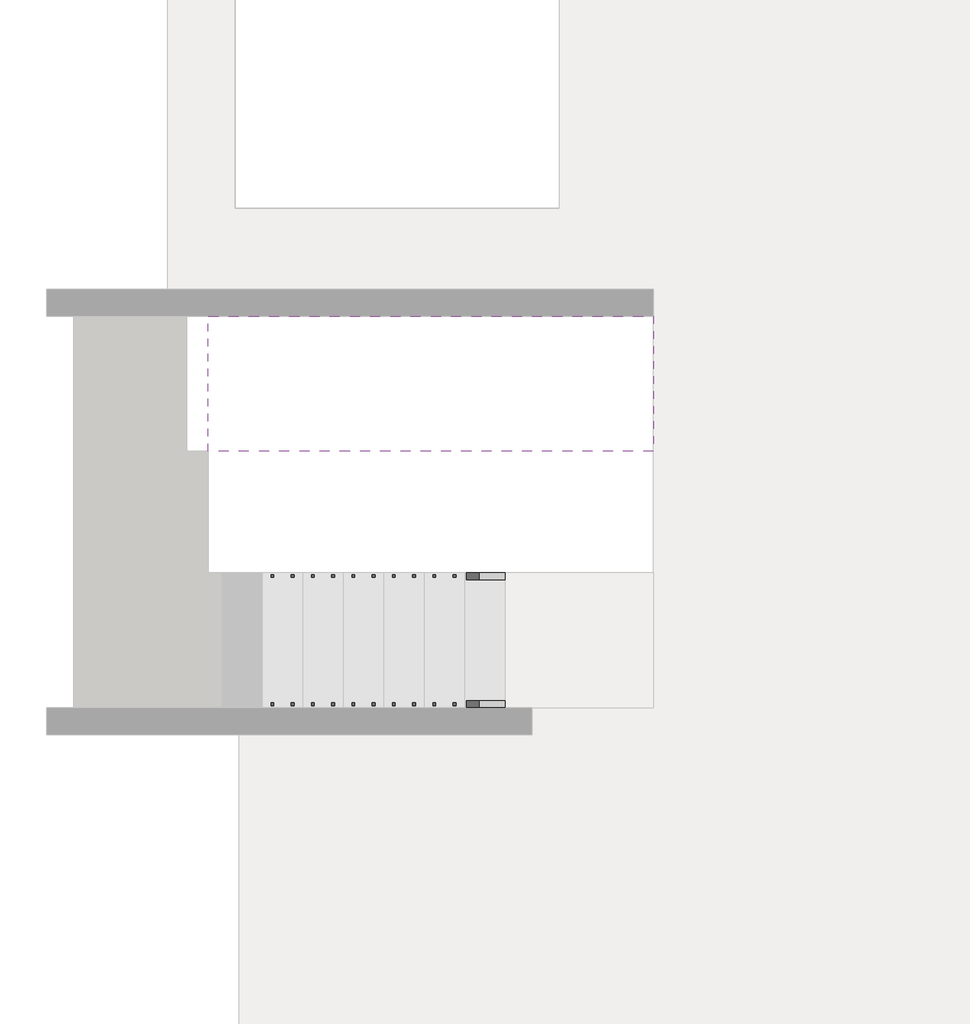
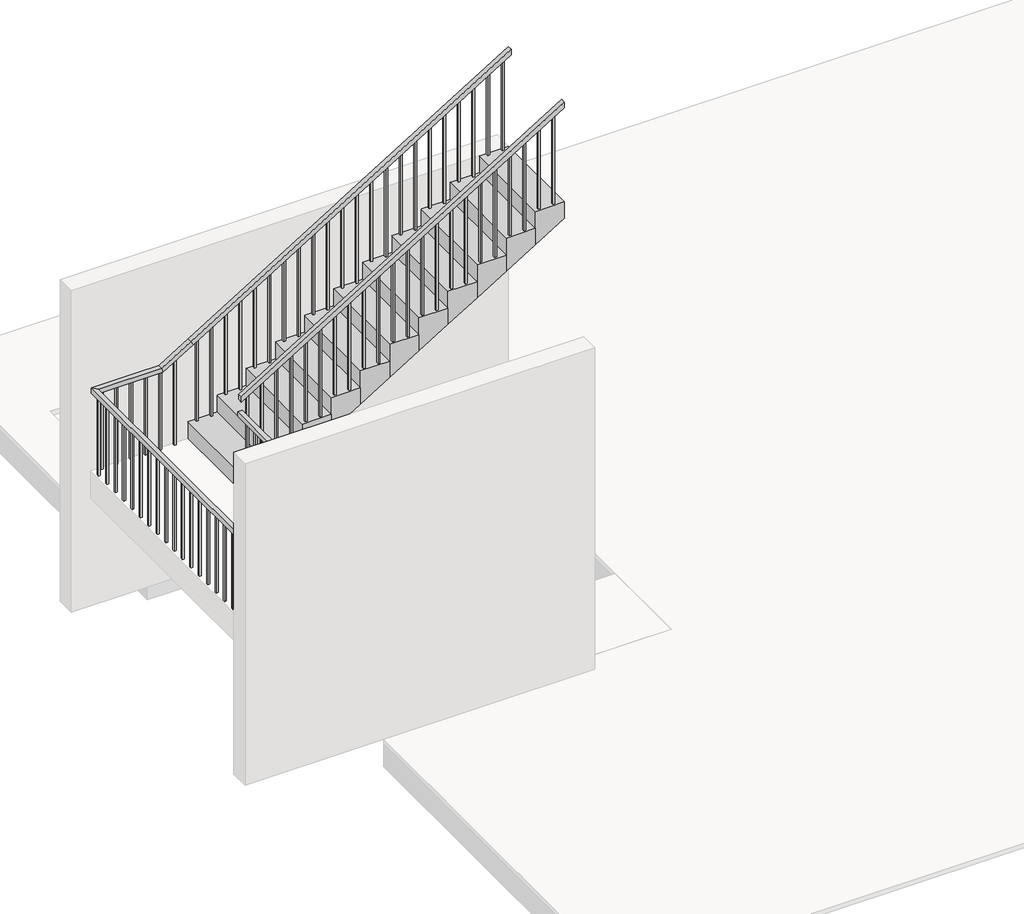
# One storey, part 5 of 5: 2 railings, 1 stair flight.
"""IFC4 building model written with IfcOpenShell, lengths in millimetres."""

from ifc_helpers import new_model, si_unit, frame, origin, place, context, project, spatial, polyline, outline, extrude, faceted_brep, element, save

model = new_model("IFC4")

# Units and contexts
model_context = context("Model", 3, world=origin())
ifc_project = project(units=[si_unit("LENGTHUNIT", "METRE", prefix="MILLI")], contexts=[model_context])

# Site, building, storey
site = spatial("IfcSite", under=ifc_project)
building = spatial("IfcBuilding", under=site)
storey = spatial("IfcBuildingStorey", under=building, Elevation=7000.0)

# Railings
placement = place(None, origin())
element("IfcRailing", 1, ObjectType="900mm", at=placement, inside=storey, context=model_context, shape_type="SolidModel", body=[
    faceted_brep([(2250.0, -5847.2939341, 8084.2105263), (2250.0, -5847.2939341, 8025.5368719), (2250.0, -5797.2939341, 8025.5368719), (2250.0, -5797.2939341, 8084.2105263), (150.0, -5847.2939341, 9373.6842105), (135.8743343, -5847.2939341, 9323.6842105), (135.8743343, -5797.2939341, 9323.6842105), (150.0, -5797.2939341, 9373.6842105), (-0.4, -5847.2939341, 9373.6842105), (-0.4, -5847.2939341, 9323.6842105), (49.6, -5797.2939341, 9323.6842105), (49.6, -5797.2939341, 9373.6842105), (-0.4, -4871.493934, 9373.6842105), (49.6, -4871.493934, 9373.6842105), (49.6, -4871.493934, 9323.6842105), (-0.4, -4871.493934, 9323.6842105)], [[[0, 1, 2, 3]], [[1, 0, 4, 5]], [[2, 1, 5, 6]], [[3, 2, 6, 7]], [[0, 3, 7, 4]], [[5, 4, 8, 9]], [[6, 5, 9, 10]], [[7, 6, 10, 11]], [[4, 7, 11, 8]], [[12, 13, 14, 15]], [[9, 8, 12, 15]], [[10, 9, 15, 14]], [[11, 10, 14, 13]], [[8, 11, 13, 12]]]),
    faceted_brep([(24.6, -4846.493934, 9542.2982456), (24.6, -4846.493934, 9483.6245912), (24.6, -4896.493934, 9483.6245912), (24.6, -4896.493934, 9542.2982456), (3350.0, -4846.493934, 11584.2105263), (3350.0, -4896.493934, 11584.2105263), (3350.0, -4896.493934, 11525.5368719), (3350.0, -4846.493934, 11525.5368719)], [[[0, 1, 2, 3]], [[4, 5, 6, 7]], [[1, 0, 4, 7]], [[2, 1, 7, 6]], [[3, 2, 6, 5]], [[0, 3, 5, 4]]]),
    extrude(outline(polyline([(11457.7473982, 3239.6), (10500.0, 3239.6), (10500.0, 3259.6), (11470.0281, 3259.6), (11457.7473982, 3239.6)])), frame((0.0, -4881.493934, 0.0), z_axis=(0.0, 1.0, 0.0), x_axis=(0.0, 0.0, 1.0)), (0.0, 0.0, 1.0), 20.0),
    extrude(outline(polyline([(11365.6421351, 3089.6), (10500.0, 3089.6), (10500.0, 3109.6), (11377.9228368, 3109.6), (11365.6421351, 3089.6)])), frame((0.0, -4881.493934, 0.0), z_axis=(0.0, 1.0, 0.0), x_axis=(0.0, 0.0, 1.0)), (0.0, 0.0, 1.0), 20.0),
    extrude(outline(polyline([(11273.5368719, 2939.6), (10315.7894737, 2939.6), (10315.7894737, 2959.6), (11285.8175737, 2959.6), (11273.5368719, 2939.6)])), frame((0.0, -4881.493934, 0.0), z_axis=(0.0, 1.0, 0.0), x_axis=(0.0, 0.0, 1.0)), (0.0, 0.0, 1.0), 20.0),
    extrude(outline(polyline([(11181.4316087, 2789.6), (10315.7894737, 2789.6), (10315.7894737, 2809.6), (11193.7123105, 2809.6), (11181.4316087, 2789.6)])), frame((0.0, -4881.493934, 0.0), z_axis=(0.0, 1.0, 0.0), x_axis=(0.0, 0.0, 1.0)), (0.0, 0.0, 1.0), 20.0),
    extrude(outline(polyline([(11089.3263456, 2639.6), (10131.5789474, 2639.6), (10131.5789474, 2659.6), (11101.6070473, 2659.6), (11089.3263456, 2639.6)])), frame((0.0, -4881.493934, 0.0), z_axis=(0.0, 1.0, 0.0), x_axis=(0.0, 0.0, 1.0)), (0.0, 0.0, 1.0), 20.0),
    extrude(outline(polyline([(10997.2210824, 2489.6), (10131.5789474, 2489.6), (10131.5789474, 2509.6), (11009.5017842, 2509.6), (10997.2210824, 2489.6)])), frame((0.0, -4881.493934, 0.0), z_axis=(0.0, 1.0, 0.0), x_axis=(0.0, 0.0, 1.0)), (0.0, 0.0, 1.0), 20.0),
    extrude(outline(polyline([(10905.1158193, 2339.6), (9947.3684211, 2339.6), (9947.3684211, 2359.6), (10917.396521, 2359.6), (10905.1158193, 2339.6)])), frame((0.0, -4881.493934, 0.0), z_axis=(0.0, 1.0, 0.0), x_axis=(0.0, 0.0, 1.0)), (0.0, 0.0, 1.0), 20.0),
    extrude(outline(polyline([(10813.0105561, 2189.6), (9947.3684211, 2189.6), (9947.3684211, 2209.6), (10825.2912579, 2209.6), (10813.0105561, 2189.6)])), frame((0.0, -4881.493934, 0.0), z_axis=(0.0, 1.0, 0.0), x_axis=(0.0, 0.0, 1.0)), (0.0, 0.0, 1.0), 20.0),
    extrude(outline(polyline([(10720.905293, 2039.6), (9763.1578947, 2039.6), (9763.1578947, 2059.6), (10733.1859947, 2059.6), (10720.905293, 2039.6)])), frame((0.0, -4881.493934, 0.0), z_axis=(0.0, 1.0, 0.0), x_axis=(0.0, 0.0, 1.0)), (0.0, 0.0, 1.0), 20.0),
    extrude(outline(polyline([(10628.8000298, 1889.6), (9763.1578947, 1889.6), (9763.1578947, 1909.6), (10641.0807316, 1909.6), (10628.8000298, 1889.6)])), frame((0.0, -4881.493934, 0.0), z_axis=(0.0, 1.0, 0.0), x_axis=(0.0, 0.0, 1.0)), (0.0, 0.0, 1.0), 20.0),
    extrude(outline(polyline([(10536.6947666, 1739.6), (9578.9473684, 1739.6), (9578.9473684, 1759.6), (10548.9754684, 1759.6), (10536.6947666, 1739.6)])), frame((0.0, -4881.493934, 0.0), z_axis=(0.0, 1.0, 0.0), x_axis=(0.0, 0.0, 1.0)), (0.0, 0.0, 1.0), 20.0),
    extrude(outline(polyline([(10444.5895035, 1589.6), (9578.9473684, 1589.6), (9578.9473684, 1609.6), (10456.8702052, 1609.6), (10444.5895035, 1589.6)])), frame((0.0, -4881.493934, 0.0), z_axis=(0.0, 1.0, 0.0), x_axis=(0.0, 0.0, 1.0)), (0.0, 0.0, 1.0), 20.0),
    extrude(outline(polyline([(10352.4842403, 1439.6), (9394.7368421, 1439.6), (9394.7368421, 1459.6), (10364.7649421, 1459.6), (10352.4842403, 1439.6)])), frame((0.0, -4881.493934, 0.0), z_axis=(0.0, 1.0, 0.0), x_axis=(0.0, 0.0, 1.0)), (0.0, 0.0, 1.0), 20.0),
    extrude(outline(polyline([(10260.3789772, 1289.6), (9394.7368421, 1289.6), (9394.7368421, 1309.6), (10272.6596789, 1309.6), (10260.3789772, 1289.6)])), frame((0.0, -4881.493934, 0.0), z_axis=(0.0, 1.0, 0.0), x_axis=(0.0, 0.0, 1.0)), (0.0, 0.0, 1.0), 20.0),
    extrude(outline(polyline([(10168.273714, 1139.6), (9210.5263158, 1139.6), (9210.5263158, 1159.6), (10180.5544158, 1159.6), (10168.273714, 1139.6)])), frame((0.0, -4881.493934, 0.0), z_axis=(0.0, 1.0, 0.0), x_axis=(0.0, 0.0, 1.0)), (0.0, 0.0, 1.0), 20.0),
    extrude(outline(polyline([(10076.1684508, 989.6), (9210.5263158, 989.6), (9210.5263158, 1009.6), (10088.4491526, 1009.6), (10076.1684508, 989.6)])), frame((0.0, -4881.493934, 0.0), z_axis=(0.0, 1.0, 0.0), x_axis=(0.0, 0.0, 1.0)), (0.0, 0.0, 1.0), 20.0),
    extrude(outline(polyline([(9984.0631877, 839.6), (9026.3157895, 839.6), (9026.3157895, 859.6), (9996.3438894, 859.6), (9984.0631877, 839.6)])), frame((0.0, -4881.493934, 0.0), z_axis=(0.0, 1.0, 0.0), x_axis=(0.0, 0.0, 1.0)), (0.0, 0.0, 1.0), 20.0),
    extrude(outline(polyline([(9891.9579245, 689.6), (9026.3157895, 689.6), (9026.3157895, 709.6), (9904.2386263, 709.6), (9891.9579245, 689.6)])), frame((0.0, -4881.493934, 0.0), z_axis=(0.0, 1.0, 0.0), x_axis=(0.0, 0.0, 1.0)), (0.0, 0.0, 1.0), 20.0),
    extrude(outline(polyline([(9799.8526614, 539.6), (8842.1052632, 539.6), (8842.1052632, 559.6), (9812.1333631, 559.6), (9799.8526614, 539.6)])), frame((0.0, -4881.493934, 0.0), z_axis=(0.0, 1.0, 0.0), x_axis=(0.0, 0.0, 1.0)), (0.0, 0.0, 1.0), 20.0),
    extrude(outline(polyline([(9707.7473982, 389.6), (8842.1052632, 389.6), (8842.1052632, 409.6), (9720.0281, 409.6), (9707.7473982, 389.6)])), frame((0.0, -4881.493934, 0.0), z_axis=(0.0, 1.0, 0.0), x_axis=(0.0, 0.0, 1.0)), (0.0, 0.0, 1.0), 20.0),
    extrude(outline(polyline([(9615.6421351, 239.6), (8657.8947368, 239.6), (8657.8947368, 259.6), (9627.9228368, 259.6), (9615.6421351, 239.6)])), frame((0.0, -4881.493934, 0.0), z_axis=(0.0, 1.0, 0.0), x_axis=(0.0, 0.0, 1.0)), (0.0, 0.0, 1.0), 20.0),
    extrude(outline(polyline([(9523.5368719, 89.6), (8657.8947368, 89.6), (8657.8947368, 109.6), (9535.8175737, 109.6), (9523.5368719, 89.6)])), frame((0.0, -4881.493934, 0.0), z_axis=(0.0, 1.0, 0.0), x_axis=(0.0, 0.0, 1.0)), (0.0, 0.0, 1.0), 20.0),
    extrude(outline(polyline([(34.6, -5007.2939341), (14.6, -5007.2939341), (14.6, -4987.2939341), (34.6, -4987.2939341), (34.6, -5007.2939341)])), frame((0.0, 0.0, 8473.6842105), z_axis=(0.0, 0.0, 1.0), x_axis=(1.0, 0.0, 0.0)), (0.0, 0.0, 1.0), 850.0),
    extrude(outline(polyline([(34.6, -5157.2939341), (14.6, -5157.2939341), (14.6, -5137.2939341), (34.6, -5137.2939341), (34.6, -5157.2939341)])), frame((0.0, 0.0, 8473.6842105), z_axis=(0.0, 0.0, 1.0), x_axis=(1.0, 0.0, 0.0)), (0.0, 0.0, 1.0), 850.0),
    extrude(outline(polyline([(34.6, -5307.2939341), (14.6, -5307.2939341), (14.6, -5287.2939341), (34.6, -5287.2939341), (34.6, -5307.2939341)])), frame((0.0, 0.0, 8473.6842105), z_axis=(0.0, 0.0, 1.0), x_axis=(1.0, 0.0, 0.0)), (0.0, 0.0, 1.0), 850.0),
    extrude(outline(polyline([(34.6, -5457.2939341), (14.6, -5457.2939341), (14.6, -5437.2939341), (34.6, -5437.2939341), (34.6, -5457.2939341)])), frame((0.0, 0.0, 8473.6842105), z_axis=(0.0, 0.0, 1.0), x_axis=(1.0, 0.0, 0.0)), (0.0, 0.0, 1.0), 850.0),
    extrude(outline(polyline([(34.6, -5607.2939341), (14.6, -5607.2939341), (14.6, -5587.2939341), (34.6, -5587.2939341), (34.6, -5607.2939341)])), frame((0.0, 0.0, 8473.6842105), z_axis=(0.0, 0.0, 1.0), x_axis=(1.0, 0.0, 0.0)), (0.0, 0.0, 1.0), 850.0),
    extrude(outline(polyline([(34.6, -5757.2939341), (14.6, -5757.2939341), (14.6, -5737.2939341), (34.6, -5737.2939341), (34.6, -5757.2939341)])), frame((0.0, 0.0, 8473.6842105), z_axis=(0.0, 0.0, 1.0), x_axis=(1.0, 0.0, 0.0)), (0.0, 0.0, 1.0), 850.0),
    extrude(outline(polyline([(85.0, -5812.2939341), (85.0, -5832.2939341), (65.0, -5832.2939341), (65.0, -5812.2939341), (85.0, -5812.2939341)])), frame((0.0, 0.0, 8473.6842105), z_axis=(0.0, 0.0, 1.0), x_axis=(1.0, 0.0, 0.0)), (0.0, 0.0, 1.0), 850.0),
    extrude(outline(polyline([(8289.4736842, 235.0), (9262.8175737, 235.0), (9275.0982754, 215.0), (8289.4736842, 215.0), (8289.4736842, 235.0)])), frame((0.0, -5832.2939341, 0.0), z_axis=(0.0, 1.0, 0.0), x_axis=(0.0, 0.0, 1.0)), (0.0, 0.0, 1.0), 20.0),
    extrude(outline(polyline([(8289.4736842, 385.0), (9170.7123105, 385.0), (9182.9930123, 365.0), (8289.4736842, 365.0), (8289.4736842, 385.0)])), frame((0.0, -5832.2939341, 0.0), z_axis=(0.0, 1.0, 0.0), x_axis=(0.0, 0.0, 1.0)), (0.0, 0.0, 1.0), 20.0),
    extrude(outline(polyline([(8105.2631579, 535.0), (9078.6070473, 535.0), (9090.8877491, 515.0), (8105.2631579, 515.0), (8105.2631579, 535.0)])), frame((0.0, -5832.2939341, 0.0), z_axis=(0.0, 1.0, 0.0), x_axis=(0.0, 0.0, 1.0)), (0.0, 0.0, 1.0), 20.0),
    extrude(outline(polyline([(8105.2631579, 685.0), (8986.5017842, 685.0), (8998.7824859, 665.0), (8105.2631579, 665.0), (8105.2631579, 685.0)])), frame((0.0, -5832.2939341, 0.0), z_axis=(0.0, 1.0, 0.0), x_axis=(0.0, 0.0, 1.0)), (0.0, 0.0, 1.0), 20.0),
    extrude(outline(polyline([(7921.0526316, 835.0), (8894.396521, 835.0), (8906.6772228, 815.0), (7921.0526316, 815.0), (7921.0526316, 835.0)])), frame((0.0, -5832.2939341, 0.0), z_axis=(0.0, 1.0, 0.0), x_axis=(0.0, 0.0, 1.0)), (0.0, 0.0, 1.0), 20.0),
    extrude(outline(polyline([(7921.0526316, 985.0), (8802.2912579, 985.0), (8814.5719596, 965.0), (7921.0526316, 965.0), (7921.0526316, 985.0)])), frame((0.0, -5832.2939341, 0.0), z_axis=(0.0, 1.0, 0.0), x_axis=(0.0, 0.0, 1.0)), (0.0, 0.0, 1.0), 20.0),
    extrude(outline(polyline([(7736.8421053, 1135.0), (8710.1859947, 1135.0), (8722.4666965, 1115.0), (7736.8421053, 1115.0), (7736.8421053, 1135.0)])), frame((0.0, -5832.2939341, 0.0), z_axis=(0.0, 1.0, 0.0), x_axis=(0.0, 0.0, 1.0)), (0.0, 0.0, 1.0), 20.0),
    extrude(outline(polyline([(7736.8421053, 1285.0), (8618.0807316, 1285.0), (8630.3614333, 1265.0), (7736.8421053, 1265.0), (7736.8421053, 1285.0)])), frame((0.0, -5832.2939341, 0.0), z_axis=(0.0, 1.0, 0.0), x_axis=(0.0, 0.0, 1.0)), (0.0, 0.0, 1.0), 20.0),
    extrude(outline(polyline([(7552.6315789, 1435.0), (8525.9754684, 1435.0), (8538.2561701, 1415.0), (7552.6315789, 1415.0), (7552.6315789, 1435.0)])), frame((0.0, -5832.2939341, 0.0), z_axis=(0.0, 1.0, 0.0), x_axis=(0.0, 0.0, 1.0)), (0.0, 0.0, 1.0), 20.0),
    extrude(outline(polyline([(7552.6315789, 1585.0), (8433.8702052, 1585.0), (8446.150907, 1565.0), (7552.6315789, 1565.0), (7552.6315789, 1585.0)])), frame((0.0, -5832.2939341, 0.0), z_axis=(0.0, 1.0, 0.0), x_axis=(0.0, 0.0, 1.0)), (0.0, 0.0, 1.0), 20.0),
    extrude(outline(polyline([(7368.4210526, 1735.0), (8341.7649421, 1735.0), (8354.0456438, 1715.0), (7368.4210526, 1715.0), (7368.4210526, 1735.0)])), frame((0.0, -5832.2939341, 0.0), z_axis=(0.0, 1.0, 0.0), x_axis=(0.0, 0.0, 1.0)), (0.0, 0.0, 1.0), 20.0),
    extrude(outline(polyline([(7368.4210526, 1885.0), (8249.6596789, 1885.0), (8261.9403807, 1865.0), (7368.4210526, 1865.0), (7368.4210526, 1885.0)])), frame((0.0, -5832.2939341, 0.0), z_axis=(0.0, 1.0, 0.0), x_axis=(0.0, 0.0, 1.0)), (0.0, 0.0, 1.0), 20.0),
    extrude(outline(polyline([(7184.2105263, 2035.0), (8157.5544158, 2035.0), (8169.8351175, 2015.0), (7184.2105263, 2015.0), (7184.2105263, 2035.0)])), frame((0.0, -5832.2939341, 0.0), z_axis=(0.0, 1.0, 0.0), x_axis=(0.0, 0.0, 1.0)), (0.0, 0.0, 1.0), 20.0),
    extrude(outline(polyline([(7184.2105263, 2185.0), (8065.4491526, 2185.0), (8077.7298544, 2165.0), (7184.2105263, 2165.0), (7184.2105263, 2185.0)])), frame((0.0, -5832.2939341, 0.0), z_axis=(0.0, 1.0, 0.0), x_axis=(0.0, 0.0, 1.0)), (0.0, 0.0, 1.0), 20.0),
])
element("IfcRailing", 2, ObjectType="900mm", at=placement, inside=storey, context=model_context, shape_type="SolidModel", body=[
    faceted_brep([(2250.0, -6796.4939341, 8084.2105263), (2250.0, -6796.4939341, 8025.5368719), (2250.0, -6746.4939341, 8025.5368719), (2250.0, -6746.4939341, 8084.2105263), (150.0, -6796.4939341, 9373.6842105), (135.8743343, -6796.4939341, 9323.6842105), (135.8743343, -6746.4939341, 9323.6842105), (150.0, -6746.4939341, 9373.6842105), (-949.6, -6796.4939341, 9373.6842105), (-949.6, -6796.4939341, 9323.6842105), (-899.6, -6746.4939341, 9323.6842105), (-899.6, -6746.4939341, 9373.6842105), (-949.6, -3897.293934, 9373.6842105), (-949.6, -3897.293934, 9323.6842105), (-899.6, -3947.293934, 9323.6842105), (-899.6, -3947.293934, 9373.6842105), (-250.0, -3897.293934, 9373.6842105), (-235.8743342, -3897.293934, 9323.6842105), (-235.8743342, -3947.293934, 9323.6842105), (-250.0, -3947.293934, 9373.6842105), (50.0, -3897.293934, 9557.8947368), (76.1631517, -3897.293934, 9515.2861756), (76.1631517, -3947.293934, 9515.2861756), (50.0, -3947.293934, 9557.8947368), (3350.0, -3897.293934, 11584.2105263), (3350.0, -3947.293934, 11584.2105263), (3350.0, -3947.293934, 11525.5368719), (3350.0, -3897.293934, 11525.5368719)], [[[0, 1, 2, 3]], [[1, 0, 4, 5]], [[2, 1, 5, 6]], [[3, 2, 6, 7]], [[0, 3, 7, 4]], [[5, 4, 8, 9]], [[6, 5, 9, 10]], [[7, 6, 10, 11]], [[4, 7, 11, 8]], [[9, 8, 12, 13]], [[10, 9, 13, 14]], [[11, 10, 14, 15]], [[8, 11, 15, 12]], [[13, 12, 16, 17]], [[14, 13, 17, 18]], [[15, 14, 18, 19]], [[12, 15, 19, 16]], [[17, 16, 20, 21]], [[18, 17, 21, 22]], [[19, 18, 22, 23]], [[16, 19, 23, 20]], [[24, 25, 26, 27]], [[21, 20, 24, 27]], [[22, 21, 27, 26]], [[23, 22, 26, 25]], [[20, 23, 25, 24]]]),
    extrude(outline(polyline([(10500.0, 3265.0), (10500.0, 3285.0), (11485.6245912, 3285.0), (11473.3438894, 3265.0), (10500.0, 3265.0)])), frame((0.0, -3932.293934, 0.0), z_axis=(0.0, 1.0, 0.0), x_axis=(0.0, 0.0, 1.0)), (0.0, 0.0, 1.0), 20.0),
    extrude(outline(polyline([(10500.0, 3115.0), (10500.0, 3135.0), (11393.519328, 3135.0), (11381.2386263, 3115.0), (10500.0, 3115.0)])), frame((0.0, -3932.293934, 0.0), z_axis=(0.0, 1.0, 0.0), x_axis=(0.0, 0.0, 1.0)), (0.0, 0.0, 1.0), 20.0),
    extrude(outline(polyline([(10315.7894737, 2965.0), (10315.7894737, 2985.0), (11301.4140649, 2985.0), (11289.1333631, 2965.0), (10315.7894737, 2965.0)])), frame((0.0, -3932.293934, 0.0), z_axis=(0.0, 1.0, 0.0), x_axis=(0.0, 0.0, 1.0)), (0.0, 0.0, 1.0), 20.0),
    extrude(outline(polyline([(10315.7894737, 2815.0), (10315.7894737, 2835.0), (11209.3088017, 2835.0), (11197.0281, 2815.0), (10315.7894737, 2815.0)])), frame((0.0, -3932.293934, 0.0), z_axis=(0.0, 1.0, 0.0), x_axis=(0.0, 0.0, 1.0)), (0.0, 0.0, 1.0), 20.0),
    extrude(outline(polyline([(10131.5789474, 2665.0), (10131.5789474, 2685.0), (11117.2035386, 2685.0), (11104.9228368, 2665.0), (10131.5789474, 2665.0)])), frame((0.0, -3932.293934, 0.0), z_axis=(0.0, 1.0, 0.0), x_axis=(0.0, 0.0, 1.0)), (0.0, 0.0, 1.0), 20.0),
    extrude(outline(polyline([(10131.5789474, 2515.0), (10131.5789474, 2535.0), (11025.0982754, 2535.0), (11012.8175737, 2515.0), (10131.5789474, 2515.0)])), frame((0.0, -3932.293934, 0.0), z_axis=(0.0, 1.0, 0.0), x_axis=(0.0, 0.0, 1.0)), (0.0, 0.0, 1.0), 20.0),
    extrude(outline(polyline([(9947.3684211, 2365.0), (9947.3684211, 2385.0), (10932.9930123, 2385.0), (10920.7123105, 2365.0), (9947.3684211, 2365.0)])), frame((0.0, -3932.293934, 0.0), z_axis=(0.0, 1.0, 0.0), x_axis=(0.0, 0.0, 1.0)), (0.0, 0.0, 1.0), 20.0),
    extrude(outline(polyline([(9947.3684211, 2215.0), (9947.3684211, 2235.0), (10840.8877491, 2235.0), (10828.6070473, 2215.0), (9947.3684211, 2215.0)])), frame((0.0, -3932.293934, 0.0), z_axis=(0.0, 1.0, 0.0), x_axis=(0.0, 0.0, 1.0)), (0.0, 0.0, 1.0), 20.0),
    extrude(outline(polyline([(9763.1578947, 2065.0), (9763.1578947, 2085.0), (10748.7824859, 2085.0), (10736.5017842, 2065.0), (9763.1578947, 2065.0)])), frame((0.0, -3932.293934, 0.0), z_axis=(0.0, 1.0, 0.0), x_axis=(0.0, 0.0, 1.0)), (0.0, 0.0, 1.0), 20.0),
    extrude(outline(polyline([(9763.1578947, 1915.0), (9763.1578947, 1935.0), (10656.6772228, 1935.0), (10644.396521, 1915.0), (9763.1578947, 1915.0)])), frame((0.0, -3932.293934, 0.0), z_axis=(0.0, 1.0, 0.0), x_axis=(0.0, 0.0, 1.0)), (0.0, 0.0, 1.0), 20.0),
    extrude(outline(polyline([(9578.9473684, 1765.0), (9578.9473684, 1785.0), (10564.5719596, 1785.0), (10552.2912579, 1765.0), (9578.9473684, 1765.0)])), frame((0.0, -3932.293934, 0.0), z_axis=(0.0, 1.0, 0.0), x_axis=(0.0, 0.0, 1.0)), (0.0, 0.0, 1.0), 20.0),
    extrude(outline(polyline([(9578.9473684, 1615.0), (9578.9473684, 1635.0), (10472.4666965, 1635.0), (10460.1859947, 1615.0), (9578.9473684, 1615.0)])), frame((0.0, -3932.293934, 0.0), z_axis=(0.0, 1.0, 0.0), x_axis=(0.0, 0.0, 1.0)), (0.0, 0.0, 1.0), 20.0),
    extrude(outline(polyline([(9394.7368421, 1465.0), (9394.7368421, 1485.0), (10380.3614333, 1485.0), (10368.0807316, 1465.0), (9394.7368421, 1465.0)])), frame((0.0, -3932.293934, 0.0), z_axis=(0.0, 1.0, 0.0), x_axis=(0.0, 0.0, 1.0)), (0.0, 0.0, 1.0), 20.0),
    extrude(outline(polyline([(9394.7368421, 1315.0), (9394.7368421, 1335.0), (10288.2561701, 1335.0), (10275.9754684, 1315.0), (9394.7368421, 1315.0)])), frame((0.0, -3932.293934, 0.0), z_axis=(0.0, 1.0, 0.0), x_axis=(0.0, 0.0, 1.0)), (0.0, 0.0, 1.0), 20.0),
    extrude(outline(polyline([(9210.5263158, 1165.0), (9210.5263158, 1185.0), (10196.150907, 1185.0), (10183.8702052, 1165.0), (9210.5263158, 1165.0)])), frame((0.0, -3932.293934, 0.0), z_axis=(0.0, 1.0, 0.0), x_axis=(0.0, 0.0, 1.0)), (0.0, 0.0, 1.0), 20.0),
    extrude(outline(polyline([(9210.5263158, 1015.0), (9210.5263158, 1035.0), (10104.0456438, 1035.0), (10091.7649421, 1015.0), (9210.5263158, 1015.0)])), frame((0.0, -3932.293934, 0.0), z_axis=(0.0, 1.0, 0.0), x_axis=(0.0, 0.0, 1.0)), (0.0, 0.0, 1.0), 20.0),
    extrude(outline(polyline([(9026.3157895, 865.0), (9026.3157895, 885.0), (10011.9403807, 885.0), (9999.6596789, 865.0), (9026.3157895, 865.0)])), frame((0.0, -3932.293934, 0.0), z_axis=(0.0, 1.0, 0.0), x_axis=(0.0, 0.0, 1.0)), (0.0, 0.0, 1.0), 20.0),
    extrude(outline(polyline([(9026.3157895, 715.0), (9026.3157895, 735.0), (9919.8351175, 735.0), (9907.5544158, 715.0), (9026.3157895, 715.0)])), frame((0.0, -3932.293934, 0.0), z_axis=(0.0, 1.0, 0.0), x_axis=(0.0, 0.0, 1.0)), (0.0, 0.0, 1.0), 20.0),
    extrude(outline(polyline([(8842.1052632, 565.0), (8842.1052632, 585.0), (9827.7298544, 585.0), (9815.4491526, 565.0), (8842.1052632, 565.0)])), frame((0.0, -3932.293934, 0.0), z_axis=(0.0, 1.0, 0.0), x_axis=(0.0, 0.0, 1.0)), (0.0, 0.0, 1.0), 20.0),
    extrude(outline(polyline([(8842.1052632, 415.0), (8842.1052632, 435.0), (9735.6245912, 435.0), (9723.3438894, 415.0), (8842.1052632, 415.0)])), frame((0.0, -3932.293934, 0.0), z_axis=(0.0, 1.0, 0.0), x_axis=(0.0, 0.0, 1.0)), (0.0, 0.0, 1.0), 20.0),
    extrude(outline(polyline([(8657.8947368, 265.0), (8657.8947368, 285.0), (9643.519328, 285.0), (9631.2386263, 265.0), (8657.8947368, 265.0)])), frame((0.0, -3932.293934, 0.0), z_axis=(0.0, 1.0, 0.0), x_axis=(0.0, 0.0, 1.0)), (0.0, 0.0, 1.0), 20.0),
    extrude(outline(polyline([(8657.8947368, 115.0), (8657.8947368, 135.0), (9551.4140649, 135.0), (9539.1333631, 115.0), (8657.8947368, 115.0)])), frame((0.0, -3932.293934, 0.0), z_axis=(0.0, 1.0, 0.0), x_axis=(0.0, 0.0, 1.0)), (0.0, 0.0, 1.0), 20.0),
    extrude(outline(polyline([(8473.6842105, -109.6), (8473.6842105, -89.6), (9413.5017842, -89.6), (9401.2210824, -109.6), (8473.6842105, -109.6)])), frame((0.0, -3932.293934, 0.0), z_axis=(0.0, 1.0, 0.0), x_axis=(0.0, 0.0, 1.0)), (0.0, 0.0, 1.0), 20.0),
    extrude(outline(polyline([(8473.6842105, -259.6), (8473.6842105, -239.6), (9321.396521, -239.6), (9309.1158193, -259.6), (8473.6842105, -259.6)])), frame((0.0, -3932.293934, 0.0), z_axis=(0.0, 1.0, 0.0), x_axis=(0.0, 0.0, 1.0)), (0.0, 0.0, 1.0), 20.0),
    extrude(outline(polyline([(-409.6, -3912.293934), (-389.6, -3912.293934), (-389.6, -3932.293934), (-409.6, -3932.293934), (-409.6, -3912.293934)])), frame((0.0, 0.0, 8473.6842105), z_axis=(0.0, 0.0, 1.0), x_axis=(1.0, 0.0, 0.0)), (0.0, 0.0, 1.0), 850.0),
    extrude(outline(polyline([(-559.6, -3912.293934), (-539.6, -3912.293934), (-539.6, -3932.293934), (-559.6, -3932.293934), (-559.6, -3912.293934)])), frame((0.0, 0.0, 8473.6842105), z_axis=(0.0, 0.0, 1.0), x_axis=(1.0, 0.0, 0.0)), (0.0, 0.0, 1.0), 850.0),
    extrude(outline(polyline([(-709.6, -3912.293934), (-689.6, -3912.293934), (-689.6, -3932.293934), (-709.6, -3932.293934), (-709.6, -3912.293934)])), frame((0.0, 0.0, 8473.6842105), z_axis=(0.0, 0.0, 1.0), x_axis=(1.0, 0.0, 0.0)), (0.0, 0.0, 1.0), 850.0),
    extrude(outline(polyline([(-859.6, -3912.293934), (-839.6, -3912.293934), (-839.6, -3932.293934), (-859.6, -3932.293934), (-859.6, -3912.293934)])), frame((0.0, 0.0, 8473.6842105), z_axis=(0.0, 0.0, 1.0), x_axis=(1.0, 0.0, 0.0)), (0.0, 0.0, 1.0), 850.0),
    extrude(outline(polyline([(-934.6, -4006.4939341), (-934.6, -3986.4939341), (-914.6, -3986.4939341), (-914.6, -4006.4939341), (-934.6, -4006.4939341)])), frame((0.0, 0.0, 8473.6842105), z_axis=(0.0, 0.0, 1.0), x_axis=(1.0, 0.0, 0.0)), (0.0, 0.0, 1.0), 850.0),
    extrude(outline(polyline([(-934.6, -4156.4939341), (-934.6, -4136.4939341), (-914.6, -4136.4939341), (-914.6, -4156.4939341), (-934.6, -4156.4939341)])), frame((0.0, 0.0, 8473.6842105), z_axis=(0.0, 0.0, 1.0), x_axis=(1.0, 0.0, 0.0)), (0.0, 0.0, 1.0), 850.0),
    extrude(outline(polyline([(-934.6, -4306.4939341), (-934.6, -4286.4939341), (-914.6, -4286.4939341), (-914.6, -4306.4939341), (-934.6, -4306.4939341)])), frame((0.0, 0.0, 8473.6842105), z_axis=(0.0, 0.0, 1.0), x_axis=(1.0, 0.0, 0.0)), (0.0, 0.0, 1.0), 850.0),
    extrude(outline(polyline([(-934.6, -4456.4939341), (-934.6, -4436.4939341), (-914.6, -4436.4939341), (-914.6, -4456.4939341), (-934.6, -4456.4939341)])), frame((0.0, 0.0, 8473.6842105), z_axis=(0.0, 0.0, 1.0), x_axis=(1.0, 0.0, 0.0)), (0.0, 0.0, 1.0), 850.0),
    extrude(outline(polyline([(-934.6, -4606.4939341), (-934.6, -4586.4939341), (-914.6, -4586.4939341), (-914.6, -4606.4939341), (-934.6, -4606.4939341)])), frame((0.0, 0.0, 8473.6842105), z_axis=(0.0, 0.0, 1.0), x_axis=(1.0, 0.0, 0.0)), (0.0, 0.0, 1.0), 850.0),
    extrude(outline(polyline([(-934.6, -4756.4939341), (-934.6, -4736.4939341), (-914.6, -4736.4939341), (-914.6, -4756.4939341), (-934.6, -4756.4939341)])), frame((0.0, 0.0, 8473.6842105), z_axis=(0.0, 0.0, 1.0), x_axis=(1.0, 0.0, 0.0)), (0.0, 0.0, 1.0), 850.0),
    extrude(outline(polyline([(-934.6, -4906.4939341), (-934.6, -4886.4939341), (-914.6, -4886.4939341), (-914.6, -4906.4939341), (-934.6, -4906.4939341)])), frame((0.0, 0.0, 8473.6842105), z_axis=(0.0, 0.0, 1.0), x_axis=(1.0, 0.0, 0.0)), (0.0, 0.0, 1.0), 850.0),
    extrude(outline(polyline([(-934.6, -5056.4939341), (-934.6, -5036.4939341), (-914.6, -5036.4939341), (-914.6, -5056.4939341), (-934.6, -5056.4939341)])), frame((0.0, 0.0, 8473.6842105), z_axis=(0.0, 0.0, 1.0), x_axis=(1.0, 0.0, 0.0)), (0.0, 0.0, 1.0), 850.0),
    extrude(outline(polyline([(-934.6, -5206.4939341), (-934.6, -5186.4939341), (-914.6, -5186.4939341), (-914.6, -5206.4939341), (-934.6, -5206.4939341)])), frame((0.0, 0.0, 8473.6842105), z_axis=(0.0, 0.0, 1.0), x_axis=(1.0, 0.0, 0.0)), (0.0, 0.0, 1.0), 850.0),
    extrude(outline(polyline([(-934.6, -5356.4939341), (-934.6, -5336.4939341), (-914.6, -5336.4939341), (-914.6, -5356.4939341), (-934.6, -5356.4939341)])), frame((0.0, 0.0, 8473.6842105), z_axis=(0.0, 0.0, 1.0), x_axis=(1.0, 0.0, 0.0)), (0.0, 0.0, 1.0), 850.0),
    extrude(outline(polyline([(-934.6, -5506.4939341), (-934.6, -5486.4939341), (-914.6, -5486.4939341), (-914.6, -5506.4939341), (-934.6, -5506.4939341)])), frame((0.0, 0.0, 8473.6842105), z_axis=(0.0, 0.0, 1.0), x_axis=(1.0, 0.0, 0.0)), (0.0, 0.0, 1.0), 850.0),
    extrude(outline(polyline([(-934.6, -5656.4939341), (-934.6, -5636.4939341), (-914.6, -5636.4939341), (-914.6, -5656.4939341), (-934.6, -5656.4939341)])), frame((0.0, 0.0, 8473.6842105), z_axis=(0.0, 0.0, 1.0), x_axis=(1.0, 0.0, 0.0)), (0.0, 0.0, 1.0), 850.0),
    extrude(outline(polyline([(-934.6, -5806.4939341), (-934.6, -5786.4939341), (-914.6, -5786.4939341), (-914.6, -5806.4939341), (-934.6, -5806.4939341)])), frame((0.0, 0.0, 8473.6842105), z_axis=(0.0, 0.0, 1.0), x_axis=(1.0, 0.0, 0.0)), (0.0, 0.0, 1.0), 850.0),
    extrude(outline(polyline([(-934.6, -5956.4939341), (-934.6, -5936.4939341), (-914.6, -5936.4939341), (-914.6, -5956.4939341), (-934.6, -5956.4939341)])), frame((0.0, 0.0, 8473.6842105), z_axis=(0.0, 0.0, 1.0), x_axis=(1.0, 0.0, 0.0)), (0.0, 0.0, 1.0), 850.0),
    extrude(outline(polyline([(-934.6, -6106.4939341), (-934.6, -6086.4939341), (-914.6, -6086.4939341), (-914.6, -6106.4939341), (-934.6, -6106.4939341)])), frame((0.0, 0.0, 8473.6842105), z_axis=(0.0, 0.0, 1.0), x_axis=(1.0, 0.0, 0.0)), (0.0, 0.0, 1.0), 850.0),
    extrude(outline(polyline([(-934.6, -6256.4939341), (-934.6, -6236.4939341), (-914.6, -6236.4939341), (-914.6, -6256.4939341), (-934.6, -6256.4939341)])), frame((0.0, 0.0, 8473.6842105), z_axis=(0.0, 0.0, 1.0), x_axis=(1.0, 0.0, 0.0)), (0.0, 0.0, 1.0), 850.0),
    extrude(outline(polyline([(-934.6, -6406.4939341), (-934.6, -6386.4939341), (-914.6, -6386.4939341), (-914.6, -6406.4939341), (-934.6, -6406.4939341)])), frame((0.0, 0.0, 8473.6842105), z_axis=(0.0, 0.0, 1.0), x_axis=(1.0, 0.0, 0.0)), (0.0, 0.0, 1.0), 850.0),
    extrude(outline(polyline([(-934.6, -6556.4939341), (-934.6, -6536.4939341), (-914.6, -6536.4939341), (-914.6, -6556.4939341), (-934.6, -6556.4939341)])), frame((0.0, 0.0, 8473.6842105), z_axis=(0.0, 0.0, 1.0), x_axis=(1.0, 0.0, 0.0)), (0.0, 0.0, 1.0), 850.0),
    extrude(outline(polyline([(-934.6, -6706.4939341), (-934.6, -6686.4939341), (-914.6, -6686.4939341), (-914.6, -6706.4939341), (-934.6, -6706.4939341)])), frame((0.0, 0.0, 8473.6842105), z_axis=(0.0, 0.0, 1.0), x_axis=(1.0, 0.0, 0.0)), (0.0, 0.0, 1.0), 850.0),
    extrude(outline(polyline([(-815.0, -6781.4939341), (-835.0, -6781.4939341), (-835.0, -6761.4939341), (-815.0, -6761.4939341), (-815.0, -6781.4939341)])), frame((0.0, 0.0, 8473.6842105), z_axis=(0.0, 0.0, 1.0), x_axis=(1.0, 0.0, 0.0)), (0.0, 0.0, 1.0), 850.0),
    extrude(outline(polyline([(-665.0, -6781.4939341), (-685.0, -6781.4939341), (-685.0, -6761.4939341), (-665.0, -6761.4939341), (-665.0, -6781.4939341)])), frame((0.0, 0.0, 8473.6842105), z_axis=(0.0, 0.0, 1.0), x_axis=(1.0, 0.0, 0.0)), (0.0, 0.0, 1.0), 850.0),
    extrude(outline(polyline([(-515.0, -6781.4939341), (-535.0, -6781.4939341), (-535.0, -6761.4939341), (-515.0, -6761.4939341), (-515.0, -6781.4939341)])), frame((0.0, 0.0, 8473.6842105), z_axis=(0.0, 0.0, 1.0), x_axis=(1.0, 0.0, 0.0)), (0.0, 0.0, 1.0), 850.0),
    extrude(outline(polyline([(-365.0, -6781.4939341), (-385.0, -6781.4939341), (-385.0, -6761.4939341), (-365.0, -6761.4939341), (-365.0, -6781.4939341)])), frame((0.0, 0.0, 8473.6842105), z_axis=(0.0, 0.0, 1.0), x_axis=(1.0, 0.0, 0.0)), (0.0, 0.0, 1.0), 850.0),
    extrude(outline(polyline([(-215.0, -6781.4939341), (-235.0, -6781.4939341), (-235.0, -6761.4939341), (-215.0, -6761.4939341), (-215.0, -6781.4939341)])), frame((0.0, 0.0, 8473.6842105), z_axis=(0.0, 0.0, 1.0), x_axis=(1.0, 0.0, 0.0)), (0.0, 0.0, 1.0), 850.0),
    extrude(outline(polyline([(-65.0, -6781.4939341), (-85.0, -6781.4939341), (-85.0, -6761.4939341), (-65.0, -6761.4939341), (-65.0, -6781.4939341)])), frame((0.0, 0.0, 8473.6842105), z_axis=(0.0, 0.0, 1.0), x_axis=(1.0, 0.0, 0.0)), (0.0, 0.0, 1.0), 850.0),
    extrude(outline(polyline([(85.0, -6781.4939341), (65.0, -6781.4939341), (65.0, -6761.4939341), (85.0, -6761.4939341), (85.0, -6781.4939341)])), frame((0.0, 0.0, 8473.6842105), z_axis=(0.0, 0.0, 1.0), x_axis=(1.0, 0.0, 0.0)), (0.0, 0.0, 1.0), 850.0),
    extrude(outline(polyline([(9262.8175737, 235.0), (9275.0982754, 215.0), (8289.4736842, 215.0), (8289.4736842, 235.0), (9262.8175737, 235.0)])), frame((0.0, -6781.4939341, 0.0), z_axis=(0.0, 1.0, 0.0), x_axis=(0.0, 0.0, 1.0)), (0.0, 0.0, 1.0), 20.0),
    extrude(outline(polyline([(9170.7123105, 385.0), (9182.9930123, 365.0), (8289.4736842, 365.0), (8289.4736842, 385.0), (9170.7123105, 385.0)])), frame((0.0, -6781.4939341, 0.0), z_axis=(0.0, 1.0, 0.0), x_axis=(0.0, 0.0, 1.0)), (0.0, 0.0, 1.0), 20.0),
    extrude(outline(polyline([(9078.6070473, 535.0), (9090.8877491, 515.0), (8105.2631579, 515.0), (8105.2631579, 535.0), (9078.6070473, 535.0)])), frame((0.0, -6781.4939341, 0.0), z_axis=(0.0, 1.0, 0.0), x_axis=(0.0, 0.0, 1.0)), (0.0, 0.0, 1.0), 20.0),
    extrude(outline(polyline([(8986.5017842, 685.0), (8998.7824859, 665.0), (8105.2631579, 665.0), (8105.2631579, 685.0), (8986.5017842, 685.0)])), frame((0.0, -6781.4939341, 0.0), z_axis=(0.0, 1.0, 0.0), x_axis=(0.0, 0.0, 1.0)), (0.0, 0.0, 1.0), 20.0),
    extrude(outline(polyline([(8894.396521, 835.0), (8906.6772228, 815.0), (7921.0526316, 815.0), (7921.0526316, 835.0), (8894.396521, 835.0)])), frame((0.0, -6781.4939341, 0.0), z_axis=(0.0, 1.0, 0.0), x_axis=(0.0, 0.0, 1.0)), (0.0, 0.0, 1.0), 20.0),
    extrude(outline(polyline([(8802.2912579, 985.0), (8814.5719596, 965.0), (7921.0526316, 965.0), (7921.0526316, 985.0), (8802.2912579, 985.0)])), frame((0.0, -6781.4939341, 0.0), z_axis=(0.0, 1.0, 0.0), x_axis=(0.0, 0.0, 1.0)), (0.0, 0.0, 1.0), 20.0),
    extrude(outline(polyline([(8710.1859947, 1135.0), (8722.4666965, 1115.0), (7736.8421053, 1115.0), (7736.8421053, 1135.0), (8710.1859947, 1135.0)])), frame((0.0, -6781.4939341, 0.0), z_axis=(0.0, 1.0, 0.0), x_axis=(0.0, 0.0, 1.0)), (0.0, 0.0, 1.0), 20.0),
    extrude(outline(polyline([(8618.0807316, 1285.0), (8630.3614333, 1265.0), (7736.8421053, 1265.0), (7736.8421053, 1285.0), (8618.0807316, 1285.0)])), frame((0.0, -6781.4939341, 0.0), z_axis=(0.0, 1.0, 0.0), x_axis=(0.0, 0.0, 1.0)), (0.0, 0.0, 1.0), 20.0),
    extrude(outline(polyline([(8525.9754684, 1435.0), (8538.2561701, 1415.0), (7552.6315789, 1415.0), (7552.6315789, 1435.0), (8525.9754684, 1435.0)])), frame((0.0, -6781.4939341, 0.0), z_axis=(0.0, 1.0, 0.0), x_axis=(0.0, 0.0, 1.0)), (0.0, 0.0, 1.0), 20.0),
    extrude(outline(polyline([(8433.8702052, 1585.0), (8446.150907, 1565.0), (7552.6315789, 1565.0), (7552.6315789, 1585.0), (8433.8702052, 1585.0)])), frame((0.0, -6781.4939341, 0.0), z_axis=(0.0, 1.0, 0.0), x_axis=(0.0, 0.0, 1.0)), (0.0, 0.0, 1.0), 20.0),
    extrude(outline(polyline([(8341.7649421, 1735.0), (8354.0456438, 1715.0), (7368.4210526, 1715.0), (7368.4210526, 1735.0), (8341.7649421, 1735.0)])), frame((0.0, -6781.4939341, 0.0), z_axis=(0.0, 1.0, 0.0), x_axis=(0.0, 0.0, 1.0)), (0.0, 0.0, 1.0), 20.0),
    extrude(outline(polyline([(8249.6596789, 1885.0), (8261.9403807, 1865.0), (7368.4210526, 1865.0), (7368.4210526, 1885.0), (8249.6596789, 1885.0)])), frame((0.0, -6781.4939341, 0.0), z_axis=(0.0, 1.0, 0.0), x_axis=(0.0, 0.0, 1.0)), (0.0, 0.0, 1.0), 20.0),
    extrude(outline(polyline([(8157.5544158, 2035.0), (8169.8351175, 2015.0), (7184.2105263, 2015.0), (7184.2105263, 2035.0), (8157.5544158, 2035.0)])), frame((0.0, -6781.4939341, 0.0), z_axis=(0.0, 1.0, 0.0), x_axis=(0.0, 0.0, 1.0)), (0.0, 0.0, 1.0), 20.0),
    extrude(outline(polyline([(8065.4491526, 2185.0), (8077.7298544, 2165.0), (7184.2105263, 2165.0), (7184.2105263, 2185.0), (8065.4491526, 2185.0)])), frame((0.0, -6781.4939341, 0.0), z_axis=(0.0, 1.0, 0.0), x_axis=(0.0, 0.0, 1.0)), (0.0, 0.0, 1.0), 20.0),
])

# Stair flight
element("IfcStairFlight", 3, ObjectType="Nez de marche 25 mm", at=placement, inside=storey, context=model_context, shape_type="Brep", body=[
    faceted_brep([(350.0, -3896.893934, 8657.8947368), (50.0, -3896.893934, 8657.8947368), (50.0, -4896.893934, 8657.8947368), (350.0, -4896.893934, 8657.8947368), (350.0, -3896.893934, 8481.8737736), (50.0, -3896.893934, 8297.6632473), (50.0, -3896.893934, 8473.6842105), (50.0, -4896.893934, 8297.6632473), (350.0, -4896.893934, 8481.8737736), (650.0, -3896.893934, 8842.1052632), (350.0, -3896.893934, 8842.1052632), (350.0, -4896.893934, 8842.1052632), (650.0, -4896.893934, 8842.1052632), (650.0, -3896.893934, 8666.0842999), (650.0, -4896.893934, 8666.0842999), (950.0, -3896.893934, 9026.3157895), (650.0, -3896.893934, 9026.3157895), (650.0, -4896.893934, 9026.3157895), (950.0, -4896.893934, 9026.3157895), (950.0, -3896.893934, 8850.2948262), (950.0, -4896.893934, 8850.2948262), (1250.0, -3896.893934, 9210.5263158), (950.0, -3896.893934, 9210.5263158), (950.0, -4896.893934, 9210.5263158), (1250.0, -4896.893934, 9210.5263158), (1250.0, -3896.893934, 9034.5053525), (1250.0, -4896.893934, 9034.5053525), (1550.0, -3896.893934, 9394.7368421), (1250.0, -3896.893934, 9394.7368421), (1250.0, -4896.893934, 9394.7368421), (1550.0, -4896.893934, 9394.7368421), (1550.0, -3896.893934, 9218.7158789), (1550.0, -4896.893934, 9218.7158789), (1850.0, -3896.893934, 9578.9473684), (1550.0, -3896.893934, 9578.9473684), (1550.0, -4896.893934, 9578.9473684), (1850.0, -4896.893934, 9578.9473684), (1850.0, -3896.893934, 9402.9264052), (1850.0, -4896.893934, 9402.9264052), (2150.0, -3896.893934, 9763.1578947), (1850.0, -3896.893934, 9763.1578947), (1850.0, -4896.893934, 9763.1578947), (2150.0, -4896.893934, 9763.1578947), (2150.0, -3896.893934, 9587.1369315), (2150.0, -4896.893934, 9587.1369315), (2450.0, -3896.893934, 9947.3684211), (2150.0, -3896.893934, 9947.3684211), (2150.0, -4896.893934, 9947.3684211), (2450.0, -4896.893934, 9947.3684211), (2450.0, -3896.893934, 9771.3474578), (2450.0, -4896.893934, 9771.3474578), (2750.0, -3896.893934, 10131.5789474), (2450.0, -3896.893934, 10131.5789474), (2450.0, -4896.893934, 10131.5789474), (2750.0, -4896.893934, 10131.5789474), (2750.0, -3896.893934, 9955.5579841), (2750.0, -4896.893934, 9955.5579841), (3050.0, -3896.893934, 10315.7894737), (2750.0, -3896.893934, 10315.7894737), (2750.0, -4896.893934, 10315.7894737), (3050.0, -4896.893934, 10315.7894737), (3050.0, -3896.893934, 10139.7685104), (3050.0, -4896.893934, 10139.7685104), (3350.0, -3896.893934, 10323.9790368), (3350.0, -4896.893934, 10323.9790368), (3350.0, -3896.893934, 10500.0), (3050.0, -3896.893934, 10500.0), (3050.0, -4896.893934, 10500.0), (3350.0, -4896.893934, 10500.0)], [[[0, 1, 2, 3]], [[1, 0, 4, 5, 6]], [[2, 1, 6, 5, 7]], [[3, 2, 7, 8]], [[9, 10, 11, 12]], [[10, 9, 13, 4, 0]], [[11, 10, 0, 3]], [[12, 11, 3, 8, 14]], [[15, 16, 17, 18]], [[16, 15, 19, 13, 9]], [[17, 16, 9, 12]], [[18, 17, 12, 14, 20]], [[21, 22, 23, 24]], [[22, 21, 25, 19, 15]], [[23, 22, 15, 18]], [[24, 23, 18, 20, 26]], [[27, 28, 29, 30]], [[28, 27, 31, 25, 21]], [[29, 28, 21, 24]], [[30, 29, 24, 26, 32]], [[33, 34, 35, 36]], [[34, 33, 37, 31, 27]], [[35, 34, 27, 30]], [[36, 35, 30, 32, 38]], [[39, 40, 41, 42]], [[40, 39, 43, 37, 33]], [[41, 40, 33, 36]], [[42, 41, 36, 38, 44]], [[45, 46, 47, 48]], [[46, 45, 49, 43, 39]], [[47, 46, 39, 42]], [[48, 47, 42, 44, 50]], [[51, 52, 53, 54]], [[52, 51, 55, 49, 45]], [[53, 52, 45, 48]], [[54, 53, 48, 50, 56]], [[57, 58, 59, 60]], [[58, 57, 61, 55, 51]], [[59, 58, 51, 54]], [[60, 59, 54, 56, 62]], [[5, 4, 13, 19, 25, 31, 37, 43, 49, 55, 61, 63, 64, 62, 56, 50, 44, 38, 32, 26, 20, 14, 8, 7]], [[65, 66, 67, 68]], [[66, 65, 63, 61, 57]], [[67, 66, 57, 60]], [[68, 67, 60, 62, 64]], [[65, 68, 64, 63]]]),
])

save(model, "model.ifc")
